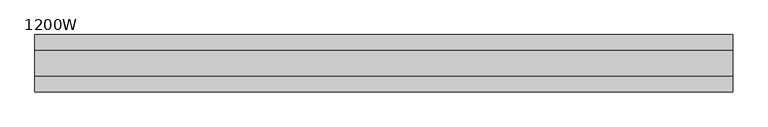
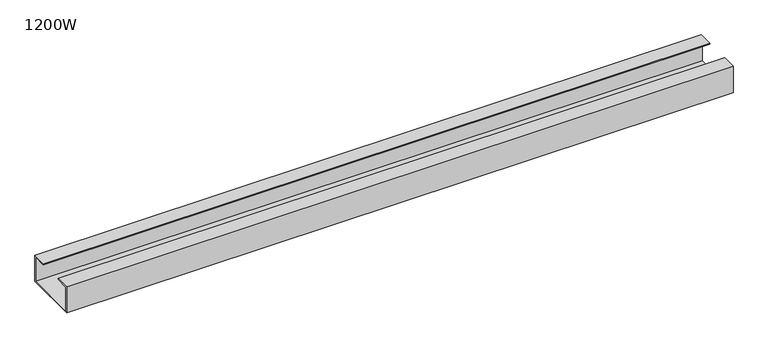
"""IFC4 building model written with IfcOpenShell, lengths in millimetres: furniture geometry, 1200W."""

from ifc_helpers import new_model, si_unit, frame, origin, place, context, project, spatial, polyline, outline, extrude, source, transform, mapped, element, save


def furniture_1200w_ed5d874d(model_context):
    return source(origin(), model_context, "Body", "SweptSolid", [
        extrude(outline(polyline([(47.3, 665.0), (-47.3, 665.0), (-47.3, 713.0), (-22.0, 713.0), (-22.0, 711.0), (-45.3, 711.0), (-45.3, 667.0), (45.3, 667.0), (45.3, 711.0), (22.0, 711.0), (22.0, 713.0), (47.3, 713.0), (47.3, 665.0)])), frame((-575.0, 0.0, 0.0), z_axis=(1.0, 0.0, 0.0), x_axis=(0.0, 1.0, 0.0)), (0.0, 0.0, 1.0), 1150.0),
    ])


if __name__ == "__main__":
    model = new_model("IFC4")
    model_context = context("Model", 3, world=origin())
    ifc_project = project(units=[si_unit("LENGTHUNIT", "METRE", prefix="MILLI")], contexts=[model_context])
    site = spatial("IfcSite", under=ifc_project)
    building = spatial("IfcBuilding", under=site)
    placement = place(None, origin())
    furniture_1200w_shape = furniture_1200w_ed5d874d(model_context)
    element("IfcFurniture", 1, ObjectType="1200W", at=placement, inside=building, context=model_context, shape_type="MappedRepresentation", body=[
        mapped(furniture_1200w_shape, transform((0.0, 0.0, 0.0), x_axis=(1.0, 0.0, 0.0), y_axis=(0.0, 1.0, 0.0), z_axis=(0.0, 0.0, 1.0))),
    ])
    save(model, "model.ifc")
